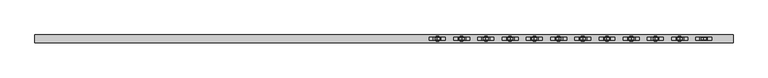
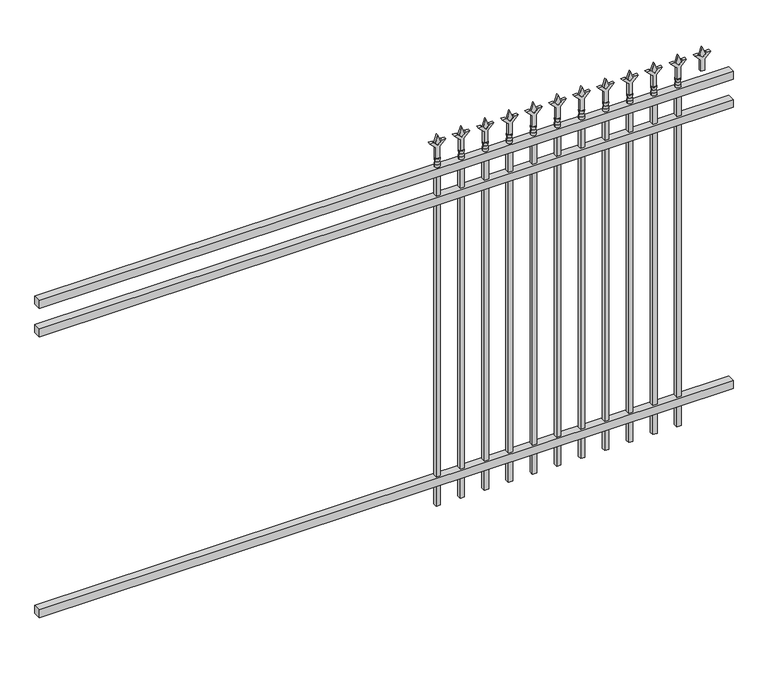
"""IFC4 building model written with IfcOpenShell, lengths in millimetres: railing geometry."""

from ifc_helpers import new_model, si_unit, frame, origin, place, context, project, spatial, polyline, circle_curve, outline, extrude, source, transform, mapped, element, save
from ifc_brep_helpers import plane_surface, cylinder_surface, revolved_surface, advanced_brep


def railing_aaa8cbe4(model_context):
    return source(origin(), model_context, "Body", "SolidModel", [
        extrude(outline(polyline([(-67441.318087, -652.7195174), (-67441.318087, -617.7945174), (-64291.718087, -617.7945174), (-64291.718087, -652.7195174), (-67441.318087, -652.7195174)])), frame((0.0, 0.0, 1638.3), z_axis=(0.0, 0.0, 1.0), x_axis=(1.0, 0.0, 0.0)), (0.0, 0.0, 1.0), 38.1),
        extrude(outline(polyline([(-67441.318087, -652.7195174), (-67441.318087, -617.7945174), (-64291.718087, -617.7945174), (-64291.718087, -652.7195174), (-67441.318087, -652.7195174)])), frame((0.0, 0.0, 1501.775), z_axis=(0.0, 0.0, 1.0), x_axis=(1.0, 0.0, 0.0)), (0.0, 0.0, 1.0), 38.1),
        extrude(outline(polyline([(-67441.318087, -652.7195174), (-67441.318087, -617.7945174), (-64291.718087, -617.7945174), (-64291.718087, -652.7195174), (-67441.318087, -652.7195174)])), frame((0.0, 0.0, 152.4), z_axis=(0.0, 0.0, 1.0), x_axis=(1.0, 0.0, 0.0)), (0.0, 0.0, 1.0), 38.1),
        extrude(outline(polyline([(1793.08125, -64520.8472536), (1828.8, -64532.7535036), (1793.08125, -64544.6597536), (1781.175, -64532.7535036), (1793.08125, -64520.8472536)])), frame((0.0, -640.0195174, 0.0), z_axis=(0.0, 1.0, 0.0), x_axis=(0.0, 0.0, 1.0)), (0.0, 0.0, 1.0), 9.525),
        extrude(outline(polyline([(1717.675, -64524.0222536), (1771.9457378, -64524.0222536), (1799.1355122, -64496.8324791), (1799.1355122, -64514.7929914), (1781.175, -64532.7535036), (1799.1355122, -64550.7140159), (1799.1355122, -64568.6745281), (1771.9457378, -64541.4847536), (1717.675, -64541.4847536), (1717.675, -64524.0222536)])), frame((0.0, -641.6070174, 0.0), z_axis=(0.0, 1.0, 0.0), x_axis=(0.0, 0.0, 1.0)), (0.0, 0.0, 1.0), 12.7),
        advanced_brep(
        [(-64520.8472536, -635.2570174, 1689.1), (-64544.6597536, -635.2570174, 1689.1), (-64544.6597536, -635.2570174, 1676.4), (-64520.8472536, -635.2570174, 1676.4), (-64523.0525855, -635.2570174, 1701.6070585), (-64542.4544218, -635.2570174, 1701.6070585), (-64520.8472536, -635.2570174, 1717.675), (-64544.6597536, -635.2570174, 1717.675), (-64532.7535036, -635.2570174, 1717.675), (-64532.7535036, -635.2570174, 1676.4)],
        [
            (0, 1, circle_curve(frame((-64532.7535036, -635.2570174, 1689.1), z_axis=(0.0, 0.0, -1.0), x_axis=(-1.0, 0.0, 0.0)), 11.90625)),
            (1, 2),
            (2, 3, circle_curve(frame((-64532.7535036, -635.2570174, 1676.4), z_axis=(0.0, 0.0, 1.0), x_axis=(-1.0, 0.0, 0.0)), 11.90625)),
            (3, 0),
            (1, 0, circle_curve(frame((-64532.7535036, -635.2570174, 1689.1), z_axis=(0.0, 0.0, -1.0), x_axis=(-1.0, 0.0, 0.0)), 11.90625)),
            (3, 2, circle_curve(frame((-64532.7535036, -635.2570174, 1676.4), z_axis=(0.0, 0.0, 1.0), x_axis=(-1.0, 0.0, 0.0)), 11.90625)),
            (4, 5, circle_curve(frame((-64532.7535036, -635.2570174, 1701.6070585), z_axis=(0.0, 0.0, -1.0), x_axis=(-1.0, 0.0, 0.0)), 9.7009181)),
            (5, 1),
            (0, 4),
            (5, 4, circle_curve(frame((-64532.7535036, -635.2570174, 1701.6070585), z_axis=(0.0, 0.0, -1.0), x_axis=(-1.0, 0.0, 0.0)), 9.7009181)),
            (6, 7, circle_curve(frame((-64532.7535036, -635.2570174, 1717.675), z_axis=(0.0, 0.0, -1.0), x_axis=(-1.0, 0.0, 0.0)), 11.90625)),
            (7, 5),
            (4, 6),
            (7, 6, circle_curve(frame((-64532.7535036, -635.2570174, 1717.675), z_axis=(0.0, 0.0, -1.0), x_axis=(-1.0, 0.0, 0.0)), 11.90625)),
            (8, 7),
            (6, 8),
            (2, 9),
            (9, 3),
        ],
        [
            cylinder_surface(frame((-64532.7535036, -635.2570174, 1676.4), z_axis=(0.0, 0.0, 1.0), x_axis=(-1.0, 0.0, 0.0)), 11.90625),
            revolved_surface(polyline([(-64544.6597536, -635.2570174, 1689.1), (-64542.4544218, -635.2570174, 1701.6070585)]), (-64532.7535036, -635.2570174, 1676.4), (0.0, 0.0, 1.0)),
            revolved_surface(polyline([(-64542.4544218, -635.2570174, 1701.6070585), (-64544.6597536, -635.2570174, 1717.675)]), (-64532.7535036, -635.2570174, 1676.4), (0.0, 0.0, 1.0)),
            plane_surface(frame((-64532.7535036, -635.2570174, 1717.675), z_axis=(0.0, 0.0, 1.0), x_axis=(-1.0, 0.0, 0.0))),
            plane_surface(frame((-64532.7535036, -635.2570174, 1676.4), z_axis=(0.0, 0.0, -1.0), x_axis=(-1.0, 0.0, 0.0))),
        ],
        [
            (0, [[1, 2, 3, 4]]),
            (0, [[5, -4, 6, -2]]),
            (1, [[7, 8, -1, 9]]),
            (1, [[10, -9, -5, -8]]),
            (2, [[11, 12, -7, 13]]),
            (2, [[14, -13, -10, -12]]),
            (3, [[15, -11, 16]]),
            (3, [[-16, -14, -15]]),
            (4, [[-3, 17, 18]]),
            (4, [[-6, -18, -17]]),
        ],
    ),
        extrude(outline(polyline([(-64542.2785036, -625.7320174), (-64523.2285036, -625.7320174), (-64523.2285036, -644.7820174), (-64542.2785036, -644.7820174), (-64542.2785036, -625.7320174)])), frame((0.0, 0.0, 50.8), z_axis=(0.0, 0.0, 1.0), x_axis=(1.0, 0.0, 0.0)), (0.0, 0.0, 1.0), 1625.6),
        extrude(outline(polyline([(1793.08125, -64630.1201703), (1828.8, -64642.0264203), (1793.08125, -64653.9326703), (1781.175, -64642.0264203), (1793.08125, -64630.1201703)])), frame((0.0, -640.0195174, 0.0), z_axis=(0.0, 1.0, 0.0), x_axis=(0.0, 0.0, 1.0)), (0.0, 0.0, 1.0), 9.525),
        extrude(outline(polyline([(1717.675, -64633.2951703), (1771.9457378, -64633.2951703), (1799.1355122, -64606.1053958), (1799.1355122, -64624.0659081), (1781.175, -64642.0264203), (1799.1355122, -64659.9869325), (1799.1355122, -64677.9474448), (1771.9457378, -64650.7576703), (1717.675, -64650.7576703), (1717.675, -64633.2951703)])), frame((0.0, -641.6070174, 0.0), z_axis=(0.0, 1.0, 0.0), x_axis=(0.0, 0.0, 1.0)), (0.0, 0.0, 1.0), 12.7),
        advanced_brep(
        [(-64630.1201703, -635.2570174, 1689.1), (-64653.9326703, -635.2570174, 1689.1), (-64653.9326703, -635.2570174, 1676.4), (-64630.1201703, -635.2570174, 1676.4), (-64632.3255022, -635.2570174, 1701.6070585), (-64651.7273384, -635.2570174, 1701.6070585), (-64630.1201703, -635.2570174, 1717.675), (-64653.9326703, -635.2570174, 1717.675), (-64642.0264203, -635.2570174, 1717.675), (-64642.0264203, -635.2570174, 1676.4)],
        [
            (0, 1, circle_curve(frame((-64642.0264203, -635.2570174, 1689.1), z_axis=(0.0, 0.0, -1.0), x_axis=(-1.0, 0.0, 0.0)), 11.90625)),
            (1, 2),
            (2, 3, circle_curve(frame((-64642.0264203, -635.2570174, 1676.4), z_axis=(0.0, 0.0, 1.0), x_axis=(-1.0, 0.0, 0.0)), 11.90625)),
            (3, 0),
            (1, 0, circle_curve(frame((-64642.0264203, -635.2570174, 1689.1), z_axis=(0.0, 0.0, -1.0), x_axis=(-1.0, 0.0, 0.0)), 11.90625)),
            (3, 2, circle_curve(frame((-64642.0264203, -635.2570174, 1676.4), z_axis=(0.0, 0.0, 1.0), x_axis=(-1.0, 0.0, 0.0)), 11.90625)),
            (4, 5, circle_curve(frame((-64642.0264203, -635.2570174, 1701.6070585), z_axis=(0.0, 0.0, -1.0), x_axis=(-1.0, 0.0, 0.0)), 9.7009181)),
            (5, 1),
            (0, 4),
            (5, 4, circle_curve(frame((-64642.0264203, -635.2570174, 1701.6070585), z_axis=(0.0, 0.0, -1.0), x_axis=(-1.0, 0.0, 0.0)), 9.7009181)),
            (6, 7, circle_curve(frame((-64642.0264203, -635.2570174, 1717.675), z_axis=(0.0, 0.0, -1.0), x_axis=(-1.0, 0.0, 0.0)), 11.90625)),
            (7, 5),
            (4, 6),
            (7, 6, circle_curve(frame((-64642.0264203, -635.2570174, 1717.675), z_axis=(0.0, 0.0, -1.0), x_axis=(-1.0, 0.0, 0.0)), 11.90625)),
            (8, 7),
            (6, 8),
            (2, 9),
            (9, 3),
        ],
        [
            cylinder_surface(frame((-64642.0264203, -635.2570174, 1676.4), z_axis=(0.0, 0.0, 1.0), x_axis=(-1.0, 0.0, 0.0)), 11.90625),
            revolved_surface(polyline([(-64653.9326703, -635.2570174, 1689.1), (-64651.7273384, -635.2570174, 1701.6070585)]), (-64642.0264203, -635.2570174, 1676.4), (0.0, 0.0, 1.0)),
            revolved_surface(polyline([(-64651.7273384, -635.2570174, 1701.6070585), (-64653.9326703, -635.2570174, 1717.675)]), (-64642.0264203, -635.2570174, 1676.4), (0.0, 0.0, 1.0)),
            plane_surface(frame((-64642.0264203, -635.2570174, 1717.675), z_axis=(0.0, 0.0, 1.0), x_axis=(-1.0, 0.0, 0.0))),
            plane_surface(frame((-64642.0264203, -635.2570174, 1676.4), z_axis=(0.0, 0.0, -1.0), x_axis=(-1.0, 0.0, 0.0))),
        ],
        [
            (0, [[1, 2, 3, 4]]),
            (0, [[5, -4, 6, -2]]),
            (1, [[7, 8, -1, 9]]),
            (1, [[10, -9, -5, -8]]),
            (2, [[11, 12, -7, 13]]),
            (2, [[14, -13, -10, -12]]),
            (3, [[15, -11, 16]]),
            (3, [[-16, -14, -15]]),
            (4, [[-3, 17, 18]]),
            (4, [[-6, -18, -17]]),
        ],
    ),
        extrude(outline(polyline([(-64651.5514203, -625.7320174), (-64632.5014203, -625.7320174), (-64632.5014203, -644.7820174), (-64651.5514203, -644.7820174), (-64651.5514203, -625.7320174)])), frame((0.0, 0.0, 50.8), z_axis=(0.0, 0.0, 1.0), x_axis=(1.0, 0.0, 0.0)), (0.0, 0.0, 1.0), 1625.6),
        extrude(outline(polyline([(1793.08125, -64739.393087), (1828.8, -64751.299337), (1793.08125, -64763.205587), (1781.175, -64751.299337), (1793.08125, -64739.393087)])), frame((0.0, -640.0195174, 0.0), z_axis=(0.0, 1.0, 0.0), x_axis=(0.0, 0.0, 1.0)), (0.0, 0.0, 1.0), 9.525),
        extrude(outline(polyline([(1717.675, -64742.568087), (1771.9457378, -64742.568087), (1799.1355122, -64715.3783125), (1799.1355122, -64733.3388247), (1781.175, -64751.299337), (1799.1355122, -64769.2598492), (1799.1355122, -64787.2203614), (1771.9457378, -64760.030587), (1717.675, -64760.030587), (1717.675, -64742.568087)])), frame((0.0, -641.6070174, 0.0), z_axis=(0.0, 1.0, 0.0), x_axis=(0.0, 0.0, 1.0)), (0.0, 0.0, 1.0), 12.7),
        advanced_brep(
        [(-64739.393087, -635.2570174, 1689.1), (-64763.205587, -635.2570174, 1689.1), (-64763.205587, -635.2570174, 1676.4), (-64739.393087, -635.2570174, 1676.4), (-64741.5984188, -635.2570174, 1701.6070585), (-64761.0002551, -635.2570174, 1701.6070585), (-64739.393087, -635.2570174, 1717.675), (-64763.205587, -635.2570174, 1717.675), (-64751.299337, -635.2570174, 1717.675), (-64751.299337, -635.2570174, 1676.4)],
        [
            (0, 1, circle_curve(frame((-64751.299337, -635.2570174, 1689.1), z_axis=(0.0, 0.0, -1.0), x_axis=(-1.0, 0.0, 0.0)), 11.90625)),
            (1, 2),
            (2, 3, circle_curve(frame((-64751.299337, -635.2570174, 1676.4), z_axis=(0.0, 0.0, 1.0), x_axis=(-1.0, 0.0, 0.0)), 11.90625)),
            (3, 0),
            (1, 0, circle_curve(frame((-64751.299337, -635.2570174, 1689.1), z_axis=(0.0, 0.0, -1.0), x_axis=(-1.0, 0.0, 0.0)), 11.90625)),
            (3, 2, circle_curve(frame((-64751.299337, -635.2570174, 1676.4), z_axis=(0.0, 0.0, 1.0), x_axis=(-1.0, 0.0, 0.0)), 11.90625)),
            (4, 5, circle_curve(frame((-64751.299337, -635.2570174, 1701.6070585), z_axis=(0.0, 0.0, -1.0), x_axis=(-1.0, 0.0, 0.0)), 9.7009181)),
            (5, 1),
            (0, 4),
            (5, 4, circle_curve(frame((-64751.299337, -635.2570174, 1701.6070585), z_axis=(0.0, 0.0, -1.0), x_axis=(-1.0, 0.0, 0.0)), 9.7009181)),
            (6, 7, circle_curve(frame((-64751.299337, -635.2570174, 1717.675), z_axis=(0.0, 0.0, -1.0), x_axis=(-1.0, 0.0, 0.0)), 11.90625)),
            (7, 5),
            (4, 6),
            (7, 6, circle_curve(frame((-64751.299337, -635.2570174, 1717.675), z_axis=(0.0, 0.0, -1.0), x_axis=(-1.0, 0.0, 0.0)), 11.90625)),
            (8, 7),
            (6, 8),
            (2, 9),
            (9, 3),
        ],
        [
            cylinder_surface(frame((-64751.299337, -635.2570174, 1676.4), z_axis=(0.0, 0.0, 1.0), x_axis=(-1.0, 0.0, 0.0)), 11.90625),
            revolved_surface(polyline([(-64763.205587, -635.2570174, 1689.1), (-64761.0002551, -635.2570174, 1701.6070585)]), (-64751.299337, -635.2570174, 1676.4), (0.0, 0.0, 1.0)),
            revolved_surface(polyline([(-64761.0002551, -635.2570174, 1701.6070585), (-64763.205587, -635.2570174, 1717.675)]), (-64751.299337, -635.2570174, 1676.4), (0.0, 0.0, 1.0)),
            plane_surface(frame((-64751.299337, -635.2570174, 1717.675), z_axis=(0.0, 0.0, 1.0), x_axis=(-1.0, 0.0, 0.0))),
            plane_surface(frame((-64751.299337, -635.2570174, 1676.4), z_axis=(0.0, 0.0, -1.0), x_axis=(-1.0, 0.0, 0.0))),
        ],
        [
            (0, [[1, 2, 3, 4]]),
            (0, [[5, -4, 6, -2]]),
            (1, [[7, 8, -1, 9]]),
            (1, [[10, -9, -5, -8]]),
            (2, [[11, 12, -7, 13]]),
            (2, [[14, -13, -10, -12]]),
            (3, [[15, -11, 16]]),
            (3, [[-16, -14, -15]]),
            (4, [[-3, 17, 18]]),
            (4, [[-6, -18, -17]]),
        ],
    ),
        extrude(outline(polyline([(-64760.824337, -625.7320174), (-64741.774337, -625.7320174), (-64741.774337, -644.7820174), (-64760.824337, -644.7820174), (-64760.824337, -625.7320174)])), frame((0.0, 0.0, 50.8), z_axis=(0.0, 0.0, 1.0), x_axis=(1.0, 0.0, 0.0)), (0.0, 0.0, 1.0), 1625.6),
        extrude(outline(polyline([(1793.08125, -64848.6660036), (1828.8, -64860.5722536), (1793.08125, -64872.4785036), (1781.175, -64860.5722536), (1793.08125, -64848.6660036)])), frame((0.0, -640.0195174, 0.0), z_axis=(0.0, 1.0, 0.0), x_axis=(0.0, 0.0, 1.0)), (0.0, 0.0, 1.0), 9.525),
        extrude(outline(polyline([(1717.675, -64851.8410036), (1771.9457378, -64851.8410036), (1799.1355122, -64824.6512291), (1799.1355122, -64842.6117414), (1781.175, -64860.5722536), (1799.1355122, -64878.5327659), (1799.1355122, -64896.4932781), (1771.9457378, -64869.3035036), (1717.675, -64869.3035036), (1717.675, -64851.8410036)])), frame((0.0, -641.6070174, 0.0), z_axis=(0.0, 1.0, 0.0), x_axis=(0.0, 0.0, 1.0)), (0.0, 0.0, 1.0), 12.7),
        advanced_brep(
        [(-64848.6660036, -635.2570174, 1689.1), (-64872.4785036, -635.2570174, 1689.1), (-64872.4785036, -635.2570174, 1676.4), (-64848.6660036, -635.2570174, 1676.4), (-64850.8713355, -635.2570174, 1701.6070585), (-64870.2731718, -635.2570174, 1701.6070585), (-64848.6660036, -635.2570174, 1717.675), (-64872.4785036, -635.2570174, 1717.675), (-64860.5722536, -635.2570174, 1717.675), (-64860.5722536, -635.2570174, 1676.4)],
        [
            (0, 1, circle_curve(frame((-64860.5722536, -635.2570174, 1689.1), z_axis=(0.0, 0.0, -1.0), x_axis=(-1.0, 0.0, 0.0)), 11.90625)),
            (1, 2),
            (2, 3, circle_curve(frame((-64860.5722536, -635.2570174, 1676.4), z_axis=(0.0, 0.0, 1.0), x_axis=(-1.0, 0.0, 0.0)), 11.90625)),
            (3, 0),
            (1, 0, circle_curve(frame((-64860.5722536, -635.2570174, 1689.1), z_axis=(0.0, 0.0, -1.0), x_axis=(-1.0, 0.0, 0.0)), 11.90625)),
            (3, 2, circle_curve(frame((-64860.5722536, -635.2570174, 1676.4), z_axis=(0.0, 0.0, 1.0), x_axis=(-1.0, 0.0, 0.0)), 11.90625)),
            (4, 5, circle_curve(frame((-64860.5722536, -635.2570174, 1701.6070585), z_axis=(0.0, 0.0, -1.0), x_axis=(-1.0, 0.0, 0.0)), 9.7009181)),
            (5, 1),
            (0, 4),
            (5, 4, circle_curve(frame((-64860.5722536, -635.2570174, 1701.6070585), z_axis=(0.0, 0.0, -1.0), x_axis=(-1.0, 0.0, 0.0)), 9.7009181)),
            (6, 7, circle_curve(frame((-64860.5722536, -635.2570174, 1717.675), z_axis=(0.0, 0.0, -1.0), x_axis=(-1.0, 0.0, 0.0)), 11.90625)),
            (7, 5),
            (4, 6),
            (7, 6, circle_curve(frame((-64860.5722536, -635.2570174, 1717.675), z_axis=(0.0, 0.0, -1.0), x_axis=(-1.0, 0.0, 0.0)), 11.90625)),
            (8, 7),
            (6, 8),
            (2, 9),
            (9, 3),
        ],
        [
            cylinder_surface(frame((-64860.5722536, -635.2570174, 1676.4), z_axis=(0.0, 0.0, 1.0), x_axis=(-1.0, 0.0, 0.0)), 11.90625),
            revolved_surface(polyline([(-64872.4785036, -635.2570174, 1689.1), (-64870.2731718, -635.2570174, 1701.6070585)]), (-64860.5722536, -635.2570174, 1676.4), (0.0, 0.0, 1.0)),
            revolved_surface(polyline([(-64870.2731718, -635.2570174, 1701.6070585), (-64872.4785036, -635.2570174, 1717.675)]), (-64860.5722536, -635.2570174, 1676.4), (0.0, 0.0, 1.0)),
            plane_surface(frame((-64860.5722536, -635.2570174, 1717.675), z_axis=(0.0, 0.0, 1.0), x_axis=(-1.0, 0.0, 0.0))),
            plane_surface(frame((-64860.5722536, -635.2570174, 1676.4), z_axis=(0.0, 0.0, -1.0), x_axis=(-1.0, 0.0, 0.0))),
        ],
        [
            (0, [[1, 2, 3, 4]]),
            (0, [[5, -4, 6, -2]]),
            (1, [[7, 8, -1, 9]]),
            (1, [[10, -9, -5, -8]]),
            (2, [[11, 12, -7, 13]]),
            (2, [[14, -13, -10, -12]]),
            (3, [[15, -11, 16]]),
            (3, [[-16, -14, -15]]),
            (4, [[-3, 17, 18]]),
            (4, [[-6, -18, -17]]),
        ],
    ),
        extrude(outline(polyline([(-64870.0972536, -625.7320174), (-64851.0472536, -625.7320174), (-64851.0472536, -644.7820174), (-64870.0972536, -644.7820174), (-64870.0972536, -625.7320174)])), frame((0.0, 0.0, 50.8), z_axis=(0.0, 0.0, 1.0), x_axis=(1.0, 0.0, 0.0)), (0.0, 0.0, 1.0), 1625.6),
        extrude(outline(polyline([(1793.08125, -64957.9389203), (1828.8, -64969.8451703), (1793.08125, -64981.7514203), (1781.175, -64969.8451703), (1793.08125, -64957.9389203)])), frame((0.0, -640.0195174, 0.0), z_axis=(0.0, 1.0, 0.0), x_axis=(0.0, 0.0, 1.0)), (0.0, 0.0, 1.0), 9.525),
        extrude(outline(polyline([(1717.675, -64961.1139203), (1771.9457378, -64961.1139203), (1799.1355122, -64933.9241458), (1799.1355122, -64951.8846581), (1781.175, -64969.8451703), (1799.1355122, -64987.8056825), (1799.1355122, -65005.7661948), (1771.9457378, -64978.5764203), (1717.675, -64978.5764203), (1717.675, -64961.1139203)])), frame((0.0, -641.6070174, 0.0), z_axis=(0.0, 1.0, 0.0), x_axis=(0.0, 0.0, 1.0)), (0.0, 0.0, 1.0), 12.7),
        advanced_brep(
        [(-64957.9389203, -635.2570174, 1689.1), (-64981.7514203, -635.2570174, 1689.1), (-64981.7514203, -635.2570174, 1676.4), (-64957.9389203, -635.2570174, 1676.4), (-64960.1442522, -635.2570174, 1701.6070585), (-64979.5460884, -635.2570174, 1701.6070585), (-64957.9389203, -635.2570174, 1717.675), (-64981.7514203, -635.2570174, 1717.675), (-64969.8451703, -635.2570174, 1717.675), (-64969.8451703, -635.2570174, 1676.4)],
        [
            (0, 1, circle_curve(frame((-64969.8451703, -635.2570174, 1689.1), z_axis=(0.0, 0.0, -1.0), x_axis=(-1.0, 0.0, 0.0)), 11.90625)),
            (1, 2),
            (2, 3, circle_curve(frame((-64969.8451703, -635.2570174, 1676.4), z_axis=(0.0, 0.0, 1.0), x_axis=(-1.0, 0.0, 0.0)), 11.90625)),
            (3, 0),
            (1, 0, circle_curve(frame((-64969.8451703, -635.2570174, 1689.1), z_axis=(0.0, 0.0, -1.0), x_axis=(-1.0, 0.0, 0.0)), 11.90625)),
            (3, 2, circle_curve(frame((-64969.8451703, -635.2570174, 1676.4), z_axis=(0.0, 0.0, 1.0), x_axis=(-1.0, 0.0, 0.0)), 11.90625)),
            (4, 5, circle_curve(frame((-64969.8451703, -635.2570174, 1701.6070585), z_axis=(0.0, 0.0, -1.0), x_axis=(-1.0, 0.0, 0.0)), 9.7009181)),
            (5, 1),
            (0, 4),
            (5, 4, circle_curve(frame((-64969.8451703, -635.2570174, 1701.6070585), z_axis=(0.0, 0.0, -1.0), x_axis=(-1.0, 0.0, 0.0)), 9.7009181)),
            (6, 7, circle_curve(frame((-64969.8451703, -635.2570174, 1717.675), z_axis=(0.0, 0.0, -1.0), x_axis=(-1.0, 0.0, 0.0)), 11.90625)),
            (7, 5),
            (4, 6),
            (7, 6, circle_curve(frame((-64969.8451703, -635.2570174, 1717.675), z_axis=(0.0, 0.0, -1.0), x_axis=(-1.0, 0.0, 0.0)), 11.90625)),
            (8, 7),
            (6, 8),
            (2, 9),
            (9, 3),
        ],
        [
            cylinder_surface(frame((-64969.8451703, -635.2570174, 1676.4), z_axis=(0.0, 0.0, 1.0), x_axis=(-1.0, 0.0, 0.0)), 11.90625),
            revolved_surface(polyline([(-64981.7514203, -635.2570174, 1689.1), (-64979.5460884, -635.2570174, 1701.6070585)]), (-64969.8451703, -635.2570174, 1676.4), (0.0, 0.0, 1.0)),
            revolved_surface(polyline([(-64979.5460884, -635.2570174, 1701.6070585), (-64981.7514203, -635.2570174, 1717.675)]), (-64969.8451703, -635.2570174, 1676.4), (0.0, 0.0, 1.0)),
            plane_surface(frame((-64969.8451703, -635.2570174, 1717.675), z_axis=(0.0, 0.0, 1.0), x_axis=(-1.0, 0.0, 0.0))),
            plane_surface(frame((-64969.8451703, -635.2570174, 1676.4), z_axis=(0.0, 0.0, -1.0), x_axis=(-1.0, 0.0, 0.0))),
        ],
        [
            (0, [[1, 2, 3, 4]]),
            (0, [[5, -4, 6, -2]]),
            (1, [[7, 8, -1, 9]]),
            (1, [[10, -9, -5, -8]]),
            (2, [[11, 12, -7, 13]]),
            (2, [[14, -13, -10, -12]]),
            (3, [[15, -11, 16]]),
            (3, [[-16, -14, -15]]),
            (4, [[-3, 17, 18]]),
            (4, [[-6, -18, -17]]),
        ],
    ),
        extrude(outline(polyline([(-64979.3701703, -625.7320174), (-64960.3201703, -625.7320174), (-64960.3201703, -644.7820174), (-64979.3701703, -644.7820174), (-64979.3701703, -625.7320174)])), frame((0.0, 0.0, 50.8), z_axis=(0.0, 0.0, 1.0), x_axis=(1.0, 0.0, 0.0)), (0.0, 0.0, 1.0), 1625.6),
        extrude(outline(polyline([(1793.08125, -65067.211837), (1828.8, -65079.118087), (1793.08125, -65091.024337), (1781.175, -65079.118087), (1793.08125, -65067.211837)])), frame((0.0, -640.0195174, 0.0), z_axis=(0.0, 1.0, 0.0), x_axis=(0.0, 0.0, 1.0)), (0.0, 0.0, 1.0), 9.525),
        extrude(outline(polyline([(1717.675, -65070.386837), (1771.9457378, -65070.386837), (1799.1355122, -65043.1970625), (1799.1355122, -65061.1575747), (1781.175, -65079.118087), (1799.1355122, -65097.0785992), (1799.1355122, -65115.0391114), (1771.9457378, -65087.849337), (1717.675, -65087.849337), (1717.675, -65070.386837)])), frame((0.0, -641.6070174, 0.0), z_axis=(0.0, 1.0, 0.0), x_axis=(0.0, 0.0, 1.0)), (0.0, 0.0, 1.0), 12.7),
        advanced_brep(
        [(-65067.211837, -635.2570174, 1689.1), (-65091.024337, -635.2570174, 1689.1), (-65091.024337, -635.2570174, 1676.4), (-65067.211837, -635.2570174, 1676.4), (-65069.4171688, -635.2570174, 1701.6070585), (-65088.8190051, -635.2570174, 1701.6070585), (-65067.211837, -635.2570174, 1717.675), (-65091.024337, -635.2570174, 1717.675), (-65079.118087, -635.2570174, 1717.675), (-65079.118087, -635.2570174, 1676.4)],
        [
            (0, 1, circle_curve(frame((-65079.118087, -635.2570174, 1689.1), z_axis=(0.0, 0.0, -1.0), x_axis=(-1.0, 0.0, 0.0)), 11.90625)),
            (1, 2),
            (2, 3, circle_curve(frame((-65079.118087, -635.2570174, 1676.4), z_axis=(0.0, 0.0, 1.0), x_axis=(-1.0, 0.0, 0.0)), 11.90625)),
            (3, 0),
            (1, 0, circle_curve(frame((-65079.118087, -635.2570174, 1689.1), z_axis=(0.0, 0.0, -1.0), x_axis=(-1.0, 0.0, 0.0)), 11.90625)),
            (3, 2, circle_curve(frame((-65079.118087, -635.2570174, 1676.4), z_axis=(0.0, 0.0, 1.0), x_axis=(-1.0, 0.0, 0.0)), 11.90625)),
            (4, 5, circle_curve(frame((-65079.118087, -635.2570174, 1701.6070585), z_axis=(0.0, 0.0, -1.0), x_axis=(-1.0, 0.0, 0.0)), 9.7009181)),
            (5, 1),
            (0, 4),
            (5, 4, circle_curve(frame((-65079.118087, -635.2570174, 1701.6070585), z_axis=(0.0, 0.0, -1.0), x_axis=(-1.0, 0.0, 0.0)), 9.7009181)),
            (6, 7, circle_curve(frame((-65079.118087, -635.2570174, 1717.675), z_axis=(0.0, 0.0, -1.0), x_axis=(-1.0, 0.0, 0.0)), 11.90625)),
            (7, 5),
            (4, 6),
            (7, 6, circle_curve(frame((-65079.118087, -635.2570174, 1717.675), z_axis=(0.0, 0.0, -1.0), x_axis=(-1.0, 0.0, 0.0)), 11.90625)),
            (8, 7),
            (6, 8),
            (2, 9),
            (9, 3),
        ],
        [
            cylinder_surface(frame((-65079.118087, -635.2570174, 1676.4), z_axis=(0.0, 0.0, 1.0), x_axis=(-1.0, 0.0, 0.0)), 11.90625),
            revolved_surface(polyline([(-65091.024337, -635.2570174, 1689.1), (-65088.8190051, -635.2570174, 1701.6070585)]), (-65079.118087, -635.2570174, 1676.4), (0.0, 0.0, 1.0)),
            revolved_surface(polyline([(-65088.8190051, -635.2570174, 1701.6070585), (-65091.024337, -635.2570174, 1717.675)]), (-65079.118087, -635.2570174, 1676.4), (0.0, 0.0, 1.0)),
            plane_surface(frame((-65079.118087, -635.2570174, 1717.675), z_axis=(0.0, 0.0, 1.0), x_axis=(-1.0, 0.0, 0.0))),
            plane_surface(frame((-65079.118087, -635.2570174, 1676.4), z_axis=(0.0, 0.0, -1.0), x_axis=(-1.0, 0.0, 0.0))),
        ],
        [
            (0, [[1, 2, 3, 4]]),
            (0, [[5, -4, 6, -2]]),
            (1, [[7, 8, -1, 9]]),
            (1, [[10, -9, -5, -8]]),
            (2, [[11, 12, -7, 13]]),
            (2, [[14, -13, -10, -12]]),
            (3, [[15, -11, 16]]),
            (3, [[-16, -14, -15]]),
            (4, [[-3, 17, 18]]),
            (4, [[-6, -18, -17]]),
        ],
    ),
        extrude(outline(polyline([(-65088.643087, -625.7320174), (-65069.593087, -625.7320174), (-65069.593087, -644.7820174), (-65088.643087, -644.7820174), (-65088.643087, -625.7320174)])), frame((0.0, 0.0, 50.8), z_axis=(0.0, 0.0, 1.0), x_axis=(1.0, 0.0, 0.0)), (0.0, 0.0, 1.0), 1625.6),
        extrude(outline(polyline([(1793.08125, -65176.4847536), (1828.8, -65188.3910036), (1793.08125, -65200.2972536), (1781.175, -65188.3910036), (1793.08125, -65176.4847536)])), frame((0.0, -640.0195174, 0.0), z_axis=(0.0, 1.0, 0.0), x_axis=(0.0, 0.0, 1.0)), (0.0, 0.0, 1.0), 9.525),
        extrude(outline(polyline([(1717.675, -65179.6597536), (1771.9457378, -65179.6597536), (1799.1355122, -65152.4699791), (1799.1355122, -65170.4304914), (1781.175, -65188.3910036), (1799.1355122, -65206.3515159), (1799.1355122, -65224.3120281), (1771.9457378, -65197.1222536), (1717.675, -65197.1222536), (1717.675, -65179.6597536)])), frame((0.0, -641.6070174, 0.0), z_axis=(0.0, 1.0, 0.0), x_axis=(0.0, 0.0, 1.0)), (0.0, 0.0, 1.0), 12.7),
        advanced_brep(
        [(-65176.4847536, -635.2570174, 1689.1), (-65200.2972536, -635.2570174, 1689.1), (-65200.2972536, -635.2570174, 1676.4), (-65176.4847536, -635.2570174, 1676.4), (-65178.6900855, -635.2570174, 1701.6070585), (-65198.0919218, -635.2570174, 1701.6070585), (-65176.4847536, -635.2570174, 1717.675), (-65200.2972536, -635.2570174, 1717.675), (-65188.3910036, -635.2570174, 1717.675), (-65188.3910036, -635.2570174, 1676.4)],
        [
            (0, 1, circle_curve(frame((-65188.3910036, -635.2570174, 1689.1), z_axis=(0.0, 0.0, -1.0), x_axis=(-1.0, 0.0, 0.0)), 11.90625)),
            (1, 2),
            (2, 3, circle_curve(frame((-65188.3910036, -635.2570174, 1676.4), z_axis=(0.0, 0.0, 1.0), x_axis=(-1.0, 0.0, 0.0)), 11.90625)),
            (3, 0),
            (1, 0, circle_curve(frame((-65188.3910036, -635.2570174, 1689.1), z_axis=(0.0, 0.0, -1.0), x_axis=(-1.0, 0.0, 0.0)), 11.90625)),
            (3, 2, circle_curve(frame((-65188.3910036, -635.2570174, 1676.4), z_axis=(0.0, 0.0, 1.0), x_axis=(-1.0, 0.0, 0.0)), 11.90625)),
            (4, 5, circle_curve(frame((-65188.3910036, -635.2570174, 1701.6070585), z_axis=(0.0, 0.0, -1.0), x_axis=(-1.0, 0.0, 0.0)), 9.7009181)),
            (5, 1),
            (0, 4),
            (5, 4, circle_curve(frame((-65188.3910036, -635.2570174, 1701.6070585), z_axis=(0.0, 0.0, -1.0), x_axis=(-1.0, 0.0, 0.0)), 9.7009181)),
            (6, 7, circle_curve(frame((-65188.3910036, -635.2570174, 1717.675), z_axis=(0.0, 0.0, -1.0), x_axis=(-1.0, 0.0, 0.0)), 11.90625)),
            (7, 5),
            (4, 6),
            (7, 6, circle_curve(frame((-65188.3910036, -635.2570174, 1717.675), z_axis=(0.0, 0.0, -1.0), x_axis=(-1.0, 0.0, 0.0)), 11.90625)),
            (8, 7),
            (6, 8),
            (2, 9),
            (9, 3),
        ],
        [
            cylinder_surface(frame((-65188.3910036, -635.2570174, 1676.4), z_axis=(0.0, 0.0, 1.0), x_axis=(-1.0, 0.0, 0.0)), 11.90625),
            revolved_surface(polyline([(-65200.2972536, -635.2570174, 1689.1), (-65198.0919218, -635.2570174, 1701.6070585)]), (-65188.3910036, -635.2570174, 1676.4), (0.0, 0.0, 1.0)),
            revolved_surface(polyline([(-65198.0919218, -635.2570174, 1701.6070585), (-65200.2972536, -635.2570174, 1717.675)]), (-65188.3910036, -635.2570174, 1676.4), (0.0, 0.0, 1.0)),
            plane_surface(frame((-65188.3910036, -635.2570174, 1717.675), z_axis=(0.0, 0.0, 1.0), x_axis=(-1.0, 0.0, 0.0))),
            plane_surface(frame((-65188.3910036, -635.2570174, 1676.4), z_axis=(0.0, 0.0, -1.0), x_axis=(-1.0, 0.0, 0.0))),
        ],
        [
            (0, [[1, 2, 3, 4]]),
            (0, [[5, -4, 6, -2]]),
            (1, [[7, 8, -1, 9]]),
            (1, [[10, -9, -5, -8]]),
            (2, [[11, 12, -7, 13]]),
            (2, [[14, -13, -10, -12]]),
            (3, [[15, -11, 16]]),
            (3, [[-16, -14, -15]]),
            (4, [[-3, 17, 18]]),
            (4, [[-6, -18, -17]]),
        ],
    ),
        extrude(outline(polyline([(-65197.9160036, -625.7320174), (-65178.8660036, -625.7320174), (-65178.8660036, -644.7820174), (-65197.9160036, -644.7820174), (-65197.9160036, -625.7320174)])), frame((0.0, 0.0, 50.8), z_axis=(0.0, 0.0, 1.0), x_axis=(1.0, 0.0, 0.0)), (0.0, 0.0, 1.0), 1625.6),
        extrude(outline(polyline([(1793.08125, -65285.7576703), (1828.8, -65297.6639203), (1793.08125, -65309.5701703), (1781.175, -65297.6639203), (1793.08125, -65285.7576703)])), frame((0.0, -640.0195174, 0.0), z_axis=(0.0, 1.0, 0.0), x_axis=(0.0, 0.0, 1.0)), (0.0, 0.0, 1.0), 9.525),
        extrude(outline(polyline([(1717.675, -65288.9326703), (1771.9457378, -65288.9326703), (1799.1355122, -65261.7428958), (1799.1355122, -65279.7034081), (1781.175, -65297.6639203), (1799.1355122, -65315.6244325), (1799.1355122, -65333.5849448), (1771.9457378, -65306.3951703), (1717.675, -65306.3951703), (1717.675, -65288.9326703)])), frame((0.0, -641.6070174, 0.0), z_axis=(0.0, 1.0, 0.0), x_axis=(0.0, 0.0, 1.0)), (0.0, 0.0, 1.0), 12.7),
        advanced_brep(
        [(-65285.7576703, -635.2570174, 1689.1), (-65309.5701703, -635.2570174, 1689.1), (-65309.5701703, -635.2570174, 1676.4), (-65285.7576703, -635.2570174, 1676.4), (-65287.9630022, -635.2570174, 1701.6070585), (-65307.3648384, -635.2570174, 1701.6070585), (-65285.7576703, -635.2570174, 1717.675), (-65309.5701703, -635.2570174, 1717.675), (-65297.6639203, -635.2570174, 1717.675), (-65297.6639203, -635.2570174, 1676.4)],
        [
            (0, 1, circle_curve(frame((-65297.6639203, -635.2570174, 1689.1), z_axis=(0.0, 0.0, -1.0), x_axis=(-1.0, 0.0, 0.0)), 11.90625)),
            (1, 2),
            (2, 3, circle_curve(frame((-65297.6639203, -635.2570174, 1676.4), z_axis=(0.0, 0.0, 1.0), x_axis=(-1.0, 0.0, 0.0)), 11.90625)),
            (3, 0),
            (1, 0, circle_curve(frame((-65297.6639203, -635.2570174, 1689.1), z_axis=(0.0, 0.0, -1.0), x_axis=(-1.0, 0.0, 0.0)), 11.90625)),
            (3, 2, circle_curve(frame((-65297.6639203, -635.2570174, 1676.4), z_axis=(0.0, 0.0, 1.0), x_axis=(-1.0, 0.0, 0.0)), 11.90625)),
            (4, 5, circle_curve(frame((-65297.6639203, -635.2570174, 1701.6070585), z_axis=(0.0, 0.0, -1.0), x_axis=(-1.0, 0.0, 0.0)), 9.7009181)),
            (5, 1),
            (0, 4),
            (5, 4, circle_curve(frame((-65297.6639203, -635.2570174, 1701.6070585), z_axis=(0.0, 0.0, -1.0), x_axis=(-1.0, 0.0, 0.0)), 9.7009181)),
            (6, 7, circle_curve(frame((-65297.6639203, -635.2570174, 1717.675), z_axis=(0.0, 0.0, -1.0), x_axis=(-1.0, 0.0, 0.0)), 11.90625)),
            (7, 5),
            (4, 6),
            (7, 6, circle_curve(frame((-65297.6639203, -635.2570174, 1717.675), z_axis=(0.0, 0.0, -1.0), x_axis=(-1.0, 0.0, 0.0)), 11.90625)),
            (8, 7),
            (6, 8),
            (2, 9),
            (9, 3),
        ],
        [
            cylinder_surface(frame((-65297.6639203, -635.2570174, 1676.4), z_axis=(0.0, 0.0, 1.0), x_axis=(-1.0, 0.0, 0.0)), 11.90625),
            revolved_surface(polyline([(-65309.5701703, -635.2570174, 1689.1), (-65307.3648384, -635.2570174, 1701.6070585)]), (-65297.6639203, -635.2570174, 1676.4), (0.0, 0.0, 1.0)),
            revolved_surface(polyline([(-65307.3648384, -635.2570174, 1701.6070585), (-65309.5701703, -635.2570174, 1717.675)]), (-65297.6639203, -635.2570174, 1676.4), (0.0, 0.0, 1.0)),
            plane_surface(frame((-65297.6639203, -635.2570174, 1717.675), z_axis=(0.0, 0.0, 1.0), x_axis=(-1.0, 0.0, 0.0))),
            plane_surface(frame((-65297.6639203, -635.2570174, 1676.4), z_axis=(0.0, 0.0, -1.0), x_axis=(-1.0, 0.0, 0.0))),
        ],
        [
            (0, [[1, 2, 3, 4]]),
            (0, [[5, -4, 6, -2]]),
            (1, [[7, 8, -1, 9]]),
            (1, [[10, -9, -5, -8]]),
            (2, [[11, 12, -7, 13]]),
            (2, [[14, -13, -10, -12]]),
            (3, [[15, -11, 16]]),
            (3, [[-16, -14, -15]]),
            (4, [[-3, 17, 18]]),
            (4, [[-6, -18, -17]]),
        ],
    ),
        extrude(outline(polyline([(-65307.1889203, -625.7320174), (-65288.1389203, -625.7320174), (-65288.1389203, -644.7820174), (-65307.1889203, -644.7820174), (-65307.1889203, -625.7320174)])), frame((0.0, 0.0, 50.8), z_axis=(0.0, 0.0, 1.0), x_axis=(1.0, 0.0, 0.0)), (0.0, 0.0, 1.0), 1625.6),
        extrude(outline(polyline([(1793.08125, -65395.030587), (1828.8, -65406.936837), (1793.08125, -65418.843087), (1781.175, -65406.936837), (1793.08125, -65395.030587)])), frame((0.0, -640.0195174, 0.0), z_axis=(0.0, 1.0, 0.0), x_axis=(0.0, 0.0, 1.0)), (0.0, 0.0, 1.0), 9.525),
        extrude(outline(polyline([(1717.675, -65398.205587), (1771.9457378, -65398.205587), (1799.1355122, -65371.0158125), (1799.1355122, -65388.9763247), (1781.175, -65406.936837), (1799.1355122, -65424.8973492), (1799.1355122, -65442.8578614), (1771.9457378, -65415.668087), (1717.675, -65415.668087), (1717.675, -65398.205587)])), frame((0.0, -641.6070174, 0.0), z_axis=(0.0, 1.0, 0.0), x_axis=(0.0, 0.0, 1.0)), (0.0, 0.0, 1.0), 12.7),
        advanced_brep(
        [(-65395.030587, -635.2570174, 1689.1), (-65418.843087, -635.2570174, 1689.1), (-65418.843087, -635.2570174, 1676.4), (-65395.030587, -635.2570174, 1676.4), (-65397.2359188, -635.2570174, 1701.6070585), (-65416.6377551, -635.2570174, 1701.6070585), (-65395.030587, -635.2570174, 1717.675), (-65418.843087, -635.2570174, 1717.675), (-65406.936837, -635.2570174, 1717.675), (-65406.936837, -635.2570174, 1676.4)],
        [
            (0, 1, circle_curve(frame((-65406.936837, -635.2570174, 1689.1), z_axis=(0.0, 0.0, -1.0), x_axis=(-1.0, 0.0, 0.0)), 11.90625)),
            (1, 2),
            (2, 3, circle_curve(frame((-65406.936837, -635.2570174, 1676.4), z_axis=(0.0, 0.0, 1.0), x_axis=(-1.0, 0.0, 0.0)), 11.90625)),
            (3, 0),
            (1, 0, circle_curve(frame((-65406.936837, -635.2570174, 1689.1), z_axis=(0.0, 0.0, -1.0), x_axis=(-1.0, 0.0, 0.0)), 11.90625)),
            (3, 2, circle_curve(frame((-65406.936837, -635.2570174, 1676.4), z_axis=(0.0, 0.0, 1.0), x_axis=(-1.0, 0.0, 0.0)), 11.90625)),
            (4, 5, circle_curve(frame((-65406.936837, -635.2570174, 1701.6070585), z_axis=(0.0, 0.0, -1.0), x_axis=(-1.0, 0.0, 0.0)), 9.7009181)),
            (5, 1),
            (0, 4),
            (5, 4, circle_curve(frame((-65406.936837, -635.2570174, 1701.6070585), z_axis=(0.0, 0.0, -1.0), x_axis=(-1.0, 0.0, 0.0)), 9.7009181)),
            (6, 7, circle_curve(frame((-65406.936837, -635.2570174, 1717.675), z_axis=(0.0, 0.0, -1.0), x_axis=(-1.0, 0.0, 0.0)), 11.90625)),
            (7, 5),
            (4, 6),
            (7, 6, circle_curve(frame((-65406.936837, -635.2570174, 1717.675), z_axis=(0.0, 0.0, -1.0), x_axis=(-1.0, 0.0, 0.0)), 11.90625)),
            (8, 7),
            (6, 8),
            (2, 9),
            (9, 3),
        ],
        [
            cylinder_surface(frame((-65406.936837, -635.2570174, 1676.4), z_axis=(0.0, 0.0, 1.0), x_axis=(-1.0, 0.0, 0.0)), 11.90625),
            revolved_surface(polyline([(-65418.843087, -635.2570174, 1689.1), (-65416.6377551, -635.2570174, 1701.6070585)]), (-65406.936837, -635.2570174, 1676.4), (0.0, 0.0, 1.0)),
            revolved_surface(polyline([(-65416.6377551, -635.2570174, 1701.6070585), (-65418.843087, -635.2570174, 1717.675)]), (-65406.936837, -635.2570174, 1676.4), (0.0, 0.0, 1.0)),
            plane_surface(frame((-65406.936837, -635.2570174, 1717.675), z_axis=(0.0, 0.0, 1.0), x_axis=(-1.0, 0.0, 0.0))),
            plane_surface(frame((-65406.936837, -635.2570174, 1676.4), z_axis=(0.0, 0.0, -1.0), x_axis=(-1.0, 0.0, 0.0))),
        ],
        [
            (0, [[1, 2, 3, 4]]),
            (0, [[5, -4, 6, -2]]),
            (1, [[7, 8, -1, 9]]),
            (1, [[10, -9, -5, -8]]),
            (2, [[11, 12, -7, 13]]),
            (2, [[14, -13, -10, -12]]),
            (3, [[15, -11, 16]]),
            (3, [[-16, -14, -15]]),
            (4, [[-3, 17, 18]]),
            (4, [[-6, -18, -17]]),
        ],
    ),
        extrude(outline(polyline([(-65416.461837, -625.7320174), (-65397.411837, -625.7320174), (-65397.411837, -644.7820174), (-65416.461837, -644.7820174), (-65416.461837, -625.7320174)])), frame((0.0, 0.0, 50.8), z_axis=(0.0, 0.0, 1.0), x_axis=(1.0, 0.0, 0.0)), (0.0, 0.0, 1.0), 1625.6),
        extrude(outline(polyline([(1793.08125, -65504.3035036), (1828.8, -65516.2097536), (1793.08125, -65528.1160036), (1781.175, -65516.2097536), (1793.08125, -65504.3035036)])), frame((0.0, -640.0195174, 0.0), z_axis=(0.0, 1.0, 0.0), x_axis=(0.0, 0.0, 1.0)), (0.0, 0.0, 1.0), 9.525),
        extrude(outline(polyline([(1717.675, -65507.4785036), (1771.9457378, -65507.4785036), (1799.1355122, -65480.2887291), (1799.1355122, -65498.2492414), (1781.175, -65516.2097536), (1799.1355122, -65534.1702659), (1799.1355122, -65552.1307781), (1771.9457378, -65524.9410036), (1717.675, -65524.9410036), (1717.675, -65507.4785036)])), frame((0.0, -641.6070174, 0.0), z_axis=(0.0, 1.0, 0.0), x_axis=(0.0, 0.0, 1.0)), (0.0, 0.0, 1.0), 12.7),
        advanced_brep(
        [(-65504.3035036, -635.2570174, 1689.1), (-65528.1160036, -635.2570174, 1689.1), (-65528.1160036, -635.2570174, 1676.4), (-65504.3035036, -635.2570174, 1676.4), (-65506.5088355, -635.2570174, 1701.6070585), (-65525.9106718, -635.2570174, 1701.6070585), (-65504.3035036, -635.2570174, 1717.675), (-65528.1160036, -635.2570174, 1717.675), (-65516.2097536, -635.2570174, 1717.675), (-65516.2097536, -635.2570174, 1676.4)],
        [
            (0, 1, circle_curve(frame((-65516.2097536, -635.2570174, 1689.1), z_axis=(0.0, 0.0, -1.0), x_axis=(-1.0, 0.0, 0.0)), 11.90625)),
            (1, 2),
            (2, 3, circle_curve(frame((-65516.2097536, -635.2570174, 1676.4), z_axis=(0.0, 0.0, 1.0), x_axis=(-1.0, 0.0, 0.0)), 11.90625)),
            (3, 0),
            (1, 0, circle_curve(frame((-65516.2097536, -635.2570174, 1689.1), z_axis=(0.0, 0.0, -1.0), x_axis=(-1.0, 0.0, 0.0)), 11.90625)),
            (3, 2, circle_curve(frame((-65516.2097536, -635.2570174, 1676.4), z_axis=(0.0, 0.0, 1.0), x_axis=(-1.0, 0.0, 0.0)), 11.90625)),
            (4, 5, circle_curve(frame((-65516.2097536, -635.2570174, 1701.6070585), z_axis=(0.0, 0.0, -1.0), x_axis=(-1.0, 0.0, 0.0)), 9.7009181)),
            (5, 1),
            (0, 4),
            (5, 4, circle_curve(frame((-65516.2097536, -635.2570174, 1701.6070585), z_axis=(0.0, 0.0, -1.0), x_axis=(-1.0, 0.0, 0.0)), 9.7009181)),
            (6, 7, circle_curve(frame((-65516.2097536, -635.2570174, 1717.675), z_axis=(0.0, 0.0, -1.0), x_axis=(-1.0, 0.0, 0.0)), 11.90625)),
            (7, 5),
            (4, 6),
            (7, 6, circle_curve(frame((-65516.2097536, -635.2570174, 1717.675), z_axis=(0.0, 0.0, -1.0), x_axis=(-1.0, 0.0, 0.0)), 11.90625)),
            (8, 7),
            (6, 8),
            (2, 9),
            (9, 3),
        ],
        [
            cylinder_surface(frame((-65516.2097536, -635.2570174, 1676.4), z_axis=(0.0, 0.0, 1.0), x_axis=(-1.0, 0.0, 0.0)), 11.90625),
            revolved_surface(polyline([(-65528.1160036, -635.2570174, 1689.1), (-65525.9106718, -635.2570174, 1701.6070585)]), (-65516.2097536, -635.2570174, 1676.4), (0.0, 0.0, 1.0)),
            revolved_surface(polyline([(-65525.9106718, -635.2570174, 1701.6070585), (-65528.1160036, -635.2570174, 1717.675)]), (-65516.2097536, -635.2570174, 1676.4), (0.0, 0.0, 1.0)),
            plane_surface(frame((-65516.2097536, -635.2570174, 1717.675), z_axis=(0.0, 0.0, 1.0), x_axis=(-1.0, 0.0, 0.0))),
            plane_surface(frame((-65516.2097536, -635.2570174, 1676.4), z_axis=(0.0, 0.0, -1.0), x_axis=(-1.0, 0.0, 0.0))),
        ],
        [
            (0, [[1, 2, 3, 4]]),
            (0, [[5, -4, 6, -2]]),
            (1, [[7, 8, -1, 9]]),
            (1, [[10, -9, -5, -8]]),
            (2, [[11, 12, -7, 13]]),
            (2, [[14, -13, -10, -12]]),
            (3, [[15, -11, 16]]),
            (3, [[-16, -14, -15]]),
            (4, [[-3, 17, 18]]),
            (4, [[-6, -18, -17]]),
        ],
    ),
        extrude(outline(polyline([(-65525.7347536, -625.7320174), (-65506.6847536, -625.7320174), (-65506.6847536, -644.7820174), (-65525.7347536, -644.7820174), (-65525.7347536, -625.7320174)])), frame((0.0, 0.0, 50.8), z_axis=(0.0, 0.0, 1.0), x_axis=(1.0, 0.0, 0.0)), (0.0, 0.0, 1.0), 1625.6),
        extrude(outline(polyline([(1793.08125, -65613.5764203), (1828.8, -65625.4826703), (1793.08125, -65637.3889203), (1781.175, -65625.4826703), (1793.08125, -65613.5764203)])), frame((0.0, -640.0195174, 0.0), z_axis=(0.0, 1.0, 0.0), x_axis=(0.0, 0.0, 1.0)), (0.0, 0.0, 1.0), 9.525),
        extrude(outline(polyline([(1717.675, -65616.7514203), (1771.9457378, -65616.7514203), (1799.1355122, -65589.5616458), (1799.1355122, -65607.5221581), (1781.175, -65625.4826703), (1799.1355122, -65643.4431825), (1799.1355122, -65661.4036948), (1771.9457378, -65634.2139203), (1717.675, -65634.2139203), (1717.675, -65616.7514203)])), frame((0.0, -641.6070174, 0.0), z_axis=(0.0, 1.0, 0.0), x_axis=(0.0, 0.0, 1.0)), (0.0, 0.0, 1.0), 12.7),
        advanced_brep(
        [(-65613.5764203, -635.2570174, 1689.1), (-65637.3889203, -635.2570174, 1689.1), (-65637.3889203, -635.2570174, 1676.4), (-65613.5764203, -635.2570174, 1676.4), (-65615.7817522, -635.2570174, 1701.6070585), (-65635.1835884, -635.2570174, 1701.6070585), (-65613.5764203, -635.2570174, 1717.675), (-65637.3889203, -635.2570174, 1717.675), (-65625.4826703, -635.2570174, 1717.675), (-65625.4826703, -635.2570174, 1676.4)],
        [
            (0, 1, circle_curve(frame((-65625.4826703, -635.2570174, 1689.1), z_axis=(0.0, 0.0, -1.0), x_axis=(-1.0, 0.0, 0.0)), 11.90625)),
            (1, 2),
            (2, 3, circle_curve(frame((-65625.4826703, -635.2570174, 1676.4), z_axis=(0.0, 0.0, 1.0), x_axis=(-1.0, 0.0, 0.0)), 11.90625)),
            (3, 0),
            (1, 0, circle_curve(frame((-65625.4826703, -635.2570174, 1689.1), z_axis=(0.0, 0.0, -1.0), x_axis=(-1.0, 0.0, 0.0)), 11.90625)),
            (3, 2, circle_curve(frame((-65625.4826703, -635.2570174, 1676.4), z_axis=(0.0, 0.0, 1.0), x_axis=(-1.0, 0.0, 0.0)), 11.90625)),
            (4, 5, circle_curve(frame((-65625.4826703, -635.2570174, 1701.6070585), z_axis=(0.0, 0.0, -1.0), x_axis=(-1.0, 0.0, 0.0)), 9.7009181)),
            (5, 1),
            (0, 4),
            (5, 4, circle_curve(frame((-65625.4826703, -635.2570174, 1701.6070585), z_axis=(0.0, 0.0, -1.0), x_axis=(-1.0, 0.0, 0.0)), 9.7009181)),
            (6, 7, circle_curve(frame((-65625.4826703, -635.2570174, 1717.675), z_axis=(0.0, 0.0, -1.0), x_axis=(-1.0, 0.0, 0.0)), 11.90625)),
            (7, 5),
            (4, 6),
            (7, 6, circle_curve(frame((-65625.4826703, -635.2570174, 1717.675), z_axis=(0.0, 0.0, -1.0), x_axis=(-1.0, 0.0, 0.0)), 11.90625)),
            (8, 7),
            (6, 8),
            (2, 9),
            (9, 3),
        ],
        [
            cylinder_surface(frame((-65625.4826703, -635.2570174, 1676.4), z_axis=(0.0, 0.0, 1.0), x_axis=(-1.0, 0.0, 0.0)), 11.90625),
            revolved_surface(polyline([(-65637.3889203, -635.2570174, 1689.1), (-65635.1835884, -635.2570174, 1701.6070585)]), (-65625.4826703, -635.2570174, 1676.4), (0.0, 0.0, 1.0)),
            revolved_surface(polyline([(-65635.1835884, -635.2570174, 1701.6070585), (-65637.3889203, -635.2570174, 1717.675)]), (-65625.4826703, -635.2570174, 1676.4), (0.0, 0.0, 1.0)),
            plane_surface(frame((-65625.4826703, -635.2570174, 1717.675), z_axis=(0.0, 0.0, 1.0), x_axis=(-1.0, 0.0, 0.0))),
            plane_surface(frame((-65625.4826703, -635.2570174, 1676.4), z_axis=(0.0, 0.0, -1.0), x_axis=(-1.0, 0.0, 0.0))),
        ],
        [
            (0, [[1, 2, 3, 4]]),
            (0, [[5, -4, 6, -2]]),
            (1, [[7, 8, -1, 9]]),
            (1, [[10, -9, -5, -8]]),
            (2, [[11, 12, -7, 13]]),
            (2, [[14, -13, -10, -12]]),
            (3, [[15, -11, 16]]),
            (3, [[-16, -14, -15]]),
            (4, [[-3, 17, 18]]),
            (4, [[-6, -18, -17]]),
        ],
    ),
        extrude(outline(polyline([(-65635.0076703, -625.7320174), (-65615.9576703, -625.7320174), (-65615.9576703, -644.7820174), (-65635.0076703, -644.7820174), (-65635.0076703, -625.7320174)])), frame((0.0, 0.0, 50.8), z_axis=(0.0, 0.0, 1.0), x_axis=(1.0, 0.0, 0.0)), (0.0, 0.0, 1.0), 1625.6),
        extrude(outline(polyline([(1793.08125, -64411.574337), (1828.8, -64423.480587), (1793.08125, -64435.386837), (1781.175, -64423.480587), (1793.08125, -64411.574337)])), frame((0.0, -640.0195174, 0.0), z_axis=(0.0, 1.0, 0.0), x_axis=(0.0, 0.0, 1.0)), (0.0, 0.0, 1.0), 9.525),
        extrude(outline(polyline([(1717.675, -64414.749337), (1771.9457378, -64414.749337), (1799.1355122, -64387.5595625), (1799.1355122, -64405.5200747), (1781.175, -64423.480587), (1799.1355122, -64441.4410992), (1799.1355122, -64459.4016114), (1771.9457378, -64432.211837), (1717.675, -64432.211837), (1717.675, -64414.749337)])), frame((0.0, -641.6070174, 0.0), z_axis=(0.0, 1.0, 0.0), x_axis=(0.0, 0.0, 1.0)), (0.0, 0.0, 1.0), 12.7),
    ])


if __name__ == "__main__":
    model = new_model("IFC4")
    model_context = context("Model", 3, world=origin())
    ifc_project = project(units=[si_unit("LENGTHUNIT", "METRE", prefix="MILLI")], contexts=[model_context])
    site = spatial("IfcSite", under=ifc_project)
    building = spatial("IfcBuilding", under=site)
    placement = place(None, origin())
    railing_shape = railing_aaa8cbe4(model_context)
    element("IfcRailing", 1, at=placement, inside=building, context=model_context, shape_type="MappedRepresentation", body=[
        mapped(railing_shape, transform((0.0, 0.0, 0.0), x_axis=(1.0, 0.0, 0.0), y_axis=(0.0, 1.0, 0.0), z_axis=(0.0, 0.0, 1.0))),
    ])
    save(model, "model.ifc")
